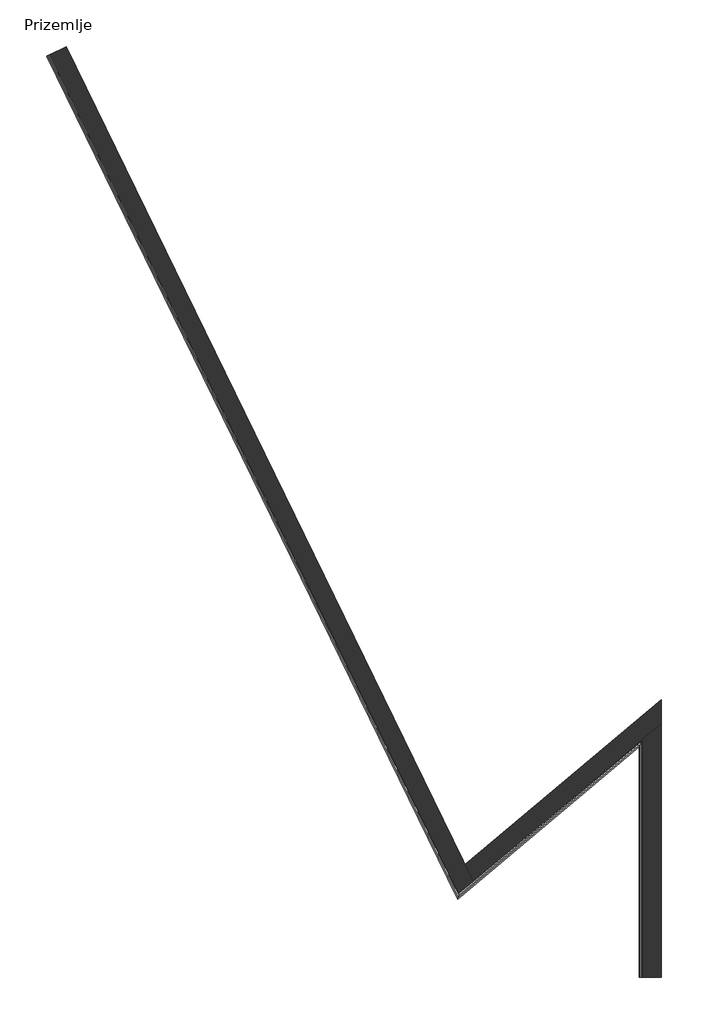
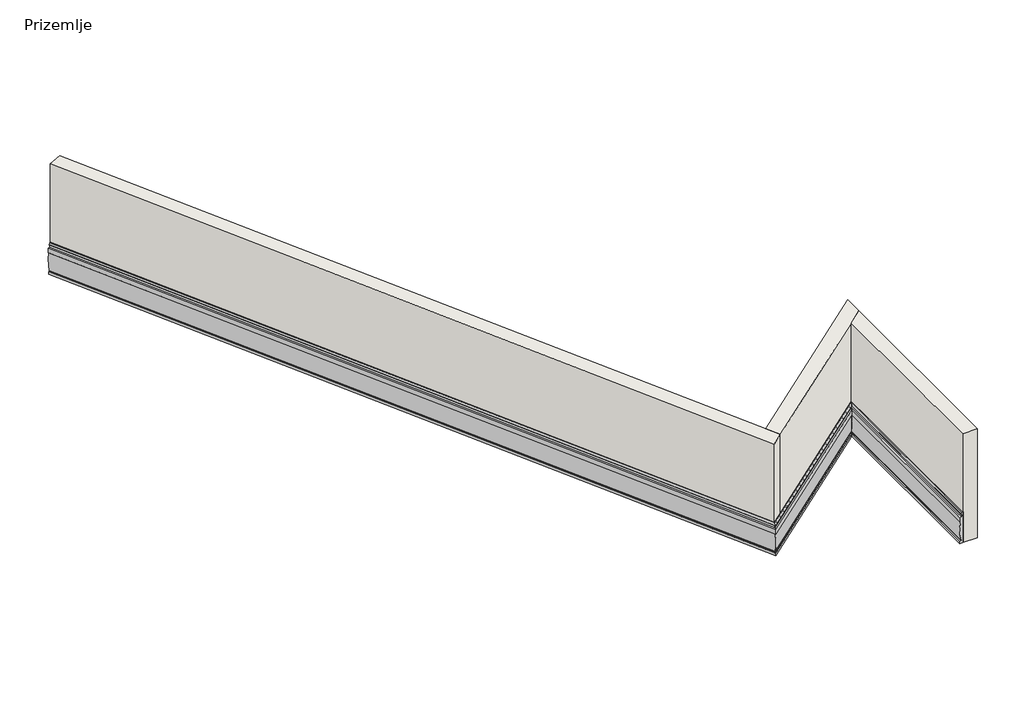
# One storey: 3 proxies, 3 walls.
"""IFC4 building model written with IfcOpenShell, lengths in millimetres."""

from ifc_helpers import new_model, si_unit, frame, origin, place, context, project, spatial, polyline, circle_curve, ellipse_curve, faceted_brep, element, save
from ifc_brep_helpers import plane_surface, cylinder_surface, revolved_surface, advanced_brep

model = new_model("IFC4")

# Units and contexts
model_context = context("Model", 3, world=origin())
ifc_project = project(units=[si_unit("LENGTHUNIT", "METRE", prefix="MILLI")], contexts=[model_context])

# Site, building, storey
site = spatial("IfcSite", under=ifc_project)
building = spatial("IfcBuilding", under=site)
storey = spatial("IfcBuildingStorey", under=building, Name="Prizemlje", Elevation=1200.0)

# Proxies
placement = place(None, origin())
element("IfcBuildingElementProxy", 1, Name="Wall Sweeps", at=placement, inside=storey, context=model_context, shape_type="AdvancedBrep", body=[
    advanced_brep(
    [(-19666.3831279, 34953.1776324, 2400.0), (-19666.3831279, 34953.1776324, 1200.0), (-19772.2292235, 34901.5530422, 1200.0), (-19772.2292235, 34901.5530422, 1291.7401929), (-19736.2774616, 34919.087888, 1291.7401929), (-19736.2774616, 34919.087888, 1311.7401929), (-19727.2895212, 34923.4715995, 1311.7401929), (-19754.2533426, 34910.3204651, 2022.0018652), (-19781.2171639, 34897.1693307, 2052.0018652), (-19781.2171639, 34897.1693307, 2213.7017171), (-19728.2082911, 34923.0234855, 2229.5047643), (-19728.2082911, 34923.0234855, 2309.5047643), (-19747.2745921, 34913.7242291, 2330.7179677), (-19711.3228302, 34931.259075, 2400.0), (-19684.3590088, 34944.4102094, 2400.0), (-7468.0987735, 9942.9883599, 2400.0), (-7484.9840018, 9863.5496066, 2400.0), (-7498.4921844, 9799.998604, 2330.7179677), (-7491.3283887, 9833.7016127, 2309.5047643), (-7491.3283887, 9833.7016127, 2229.5047643), (-7511.2454525, 9739.9991947, 2213.7017171), (-7511.2454525, 9739.9991947, 2052.0018652), (-7501.1143156, 9787.6624466, 2022.0018652), (-7490.9831786, 9835.3256986, 1311.7401929), (-7494.3602243, 9819.4379479, 1311.7401929), (-7494.3602243, 9819.4379479, 1291.7401929), (-7507.8684069, 9755.8869453, 1291.7401929), (-7507.8684069, 9755.8869453, 1200.0), (-7468.0987735, 9942.9883599, 1200.0)],
    [
        (0, 1),
        (1, 2),
        (2, 3),
        (3, 4),
        (4, 5),
        (5, 6),
        (6, 7, circle_curve(frame((-18466.7976085, 35538.2545829, 1726.7401929), z_axis=(-0.4383711467890755, 0.8987940462991679, 0.0), x_axis=(0.8987940462991679, 0.4383711467890755, 0.0)), 1462.5399067)),
        (7, 8),
        (8, 9),
        (9, 10),
        (10, 11, circle_curve(frame((-19764.160053, 34905.4886396, 2269.5047643), z_axis=(0.4383711467890755, -0.8987940462991679, 0.0), x_axis=(0.8987940462991679, 0.4383711467890755, 0.0)), 56.5685425)),
        (11, 12),
        (12, 13),
        (13, 14),
        (14, 0),
        (15, 16),
        (16, 17),
        (17, 18),
        (18, 19, ellipse_curve(frame((-7504.8365713, 9770.15061, 2269.5047643), z_axis=(-0.9781476007338057, 0.20791169081775962, 0.0), x_axis=(-0.20791169081775965, -0.9781476007338055, 0.0)), 91.8825438, 56.5685425)),
        (19, 20),
        (20, 21),
        (21, 22),
        (22, 23, ellipse_curve(frame((-7017.3776012, 12063.4647581, 1726.7401929), z_axis=(0.9781476007338057, -0.20791169081775962, 0.0), x_axis=(0.20791169081775965, 0.9781476007338055, 0.0)), 2375.5585908, 1462.5399067)),
        (23, 24),
        (24, 25),
        (25, 26),
        (26, 27),
        (27, 28),
        (28, 15),
        (0, 15),
        (28, 1),
        (27, 2),
        (26, 3),
        (25, 4),
        (24, 5),
        (23, 6),
        (22, 7),
        (21, 8),
        (20, 9),
        (19, 10),
        (18, 11),
        (17, 12),
        (16, 13),
    ],
    [
        plane_surface(frame((-19666.3831279, 34953.1776324, -1.0412149), z_axis=(-0.43837114678908035, 0.8987940462991656, 0.0), x_axis=(0.8987940462991656, 0.43837114678908035, 0.0))),
        plane_surface(frame((-7468.0987735, 9942.9883599, 895.2), z_axis=(0.9781476007338057, -0.20791169081775962, 0.0), x_axis=(0.20791169081775962, 0.9781476007338057, 0.0))),
        plane_surface(frame((-19666.3831279, 34953.1776324, 2400.0), z_axis=(0.8987940462991679, 0.43837114678907546, 0.0), x_axis=(0.43837114678907546, -0.8987940462991679, 0.0))),
        plane_surface(frame((-19666.3831279, 34953.1776324, 1200.0), z_axis=(0.0, 0.0, -1.0), x_axis=(0.43837114678907546, -0.8987940462991679, 0.0))),
        plane_surface(frame((-19772.2292235, 34901.5530422, 1200.0), z_axis=(-0.898794046299168, -0.43837114678907535, 0.0), x_axis=(0.43837114678907535, -0.898794046299168, 0.0))),
        plane_surface(frame((-19772.2292235, 34901.5530422, 1291.7401929), z_axis=(0.0, 0.0, 1.0), x_axis=(0.4383711467890754, -0.898794046299168, 0.0))),
        plane_surface(frame((-19736.2774616, 34919.087888, 1291.7401929), z_axis=(-0.898794046299168, -0.4383711467890754, 0.0), x_axis=(0.4383711467890754, -0.898794046299168, 0.0))),
        plane_surface(frame((-19736.2774616, 34919.087888, 1311.7401929), z_axis=(0.0, 0.0, 1.0), x_axis=(0.43837114678907546, -0.8987940462991679, 0.0))),
        cylinder_surface(frame((-18466.7976085, 35538.2545829, 1726.7401929), z_axis=(-0.4383711467890755, 0.8987940462991679, 0.0), x_axis=(0.8987940462991679, 0.4383711467890755, 0.0)), 1462.5399067),
        plane_surface(frame((-19754.2533426, 34910.3204651, 2022.0018652), z_axis=(-0.6355433650282388, -0.3099752105710794, -0.7071067811865462), x_axis=(0.4383711467890755, -0.898794046299168, 0.0))),
        plane_surface(frame((-19781.2171639, 34897.1693307, 2052.0018652), z_axis=(-0.8987940462991679, -0.4383711467890755, 0.0), x_axis=(0.4383711467890755, -0.8987940462991679, 0.0))),
        plane_surface(frame((-19781.2171639, 34897.1693307, 2213.7017171), z_axis=(-0.23262501680698125, -0.11345880161244538, 0.9659258262890685), x_axis=(0.4383711467890755, -0.8987940462991679, 0.0))),
        revolved_surface(polyline([(-7422.253087985704, 9729.871953898659, 2269.5047643), (-19713.316583795153, 34930.28665645196, 2269.5047643)]), (-19764.160053, 34905.4886396, 2269.5047643), (0.4383711467890755, -0.8987940462991679, 0.0)),
        plane_surface(frame((-19728.2082911, 34923.0234855, 2309.5047643), z_axis=(-0.635543365028239, -0.30997521057107946, -0.7071067811865459), x_axis=(0.43837114678907546, -0.898794046299168, 0.0))),
        plane_surface(frame((-19747.2745921, 34913.7242291, 2330.7179677), z_axis=(-0.7783784768652859, -0.3796405494054563, 0.5000000000000009), x_axis=(0.43837114678907546, -0.8987940462991679, 0.0))),
        plane_surface(frame((-19711.3228302, 34931.259075, 2400.0), z_axis=(0.0, 0.0, 1.0), x_axis=(0.43837114678907546, -0.8987940462991679, 0.0))),
    ],
    [
        (0, [[1, 2, 3, 4, 5, 6, 7, 8, 9, 10, 11, 12, 13, 14, 15]]),
        (1, [[16, 17, 18, 19, 20, 21, 22, 23, 24, 25, 26, 27, 28, 29]]),
        (2, [[-1, 30, -29, 31]]),
        (3, [[-2, -31, -28, 32]]),
        (4, [[-3, -32, -27, 33]]),
        (5, [[-4, -33, -26, 34]]),
        (6, [[-5, -34, -25, 35]]),
        (7, [[-6, -35, -24, 36]]),
        (8, [[-7, -36, -23, 37]]),
        (9, [[-8, -37, -22, 38]]),
        (10, [[-9, -38, -21, 39]]),
        (11, [[-10, -39, -20, 40]]),
        (12, [[-11, -40, -19, 41]]),
        (13, [[-12, -41, -18, 42]]),
        (14, [[-13, -42, -17, 43]]),
        (15, [[-15, -14, -43, -16, -30]]),
    ],
),
])
element("IfcBuildingElementProxy", 2, Name="Wall Sweeps", at=placement, inside=storey, context=model_context, shape_type="AdvancedBrep", body=[
    advanced_brep(
    [(-7468.0987735, 9942.9883599, 2400.0), (-7468.0987735, 9942.9883599, 1200.0), (-7507.8684069, 9755.8869453, 1200.0), (-7507.8684069, 9755.8869453, 1291.7401929), (-7494.3602243, 9819.4379479, 1291.7401929), (-7494.3602243, 9819.4379479, 1311.7401929), (-7490.9831786, 9835.3256986, 1311.7401929), (-7501.1143156, 9787.6624466, 2022.0018652), (-7511.2454525, 9739.9991947, 2052.0018652), (-7511.2454525, 9739.9991947, 2213.7017171), (-7491.3283887, 9833.7016127, 2229.5047643), (-7491.3283887, 9833.7016127, 2309.5047643), (-7498.4921844, 9799.998604, 2330.7179677), (-7484.9840018, 9863.5496066, 2400.0), (-1968.2552303, 14557.9050485, 2400.0), (-2018.2552303, 14450.6797025, 2400.0), (-2058.2552303, 14364.8994257, 2330.7179677), (-2037.0420269, 14410.3912872, 2309.5047643), (-2037.0420269, 14410.3912872, 2229.5047643), (-2096.0198017, 14283.913041, 2213.7017171), (-2096.0198017, 14283.913041, 2052.0018652), (-2066.0198017, 14348.2482487, 2022.0018652), (-2036.0198017, 14412.5834563, 1311.7401929), (-2046.0198017, 14391.1383871, 1311.7401929), (-2046.0198017, 14391.1383871, 1291.7401929), (-2086.0198017, 14305.3581102, 1291.7401929), (-2086.0198017, 14305.3581102, 1200.0), (-1968.2552303, 14557.9050485, 1200.0), (-7049.6659763, 10294.0951657, 2400.0), (-7049.6659763, 10294.0951657, 1200.0)],
    [
        (0, 1),
        (1, 2),
        (2, 3),
        (3, 4),
        (4, 5),
        (5, 6),
        (6, 7, ellipse_curve(frame((-7017.3776012, 12063.4647581, 1726.7401929), z_axis=(-0.9781476007338057, 0.20791169081775962, 0.0), x_axis=(-0.20791169081775945, -0.9781476007338055, 0.0)), 2375.5585908, 1462.5399067)),
        (7, 8),
        (8, 9),
        (9, 10),
        (10, 11, ellipse_curve(frame((-7504.8365713, 9770.15061, 2269.5047643), z_axis=(0.9781476007338057, -0.20791169081775962, 0.0), x_axis=(0.20791169081775945, 0.9781476007338055, 0.0)), 91.8825438, 56.5685425)),
        (11, 12),
        (12, 13),
        (13, 0),
        (14, 15),
        (15, 16),
        (16, 17),
        (17, 18, ellipse_curve(frame((-2077.0420269, 14324.6110104, 2269.5047643), z_axis=(-0.9063077870366503, 0.42261826174069905, 0.0), x_axis=(0.4226182617406989, 0.9063077870366502, 0.0)), 133.8525748, 56.5685425)),
        (18, 19),
        (19, 20),
        (20, 21),
        (21, 22, ellipse_curve(frame((-633.5940536, 17420.0951784, 1726.7401929), z_axis=(0.9063077870366503, -0.42261826174069905, 0.0), x_axis=(-0.4226182617406989, -0.9063077870366502, 0.0)), 3460.6642427, 1462.5399067)),
        (22, 23),
        (23, 24),
        (24, 25),
        (25, 26),
        (26, 27),
        (27, 14),
        (0, 28),
        (28, 14),
        (27, 29),
        (29, 1),
        (26, 2),
        (25, 3),
        (24, 4),
        (23, 5),
        (22, 6),
        (21, 7),
        (20, 8),
        (19, 9),
        (18, 10),
        (17, 11),
        (16, 12),
        (15, 13),
    ],
    [
        plane_surface(frame((-7468.0987735, 9942.9883599, 895.2), z_axis=(-0.9781476007338057, 0.20791169081775962, 0.0), x_axis=(0.20791169081775962, 0.9781476007338057, 0.0))),
        plane_surface(frame((-1968.2552303, 14557.9050485, 1504.8), z_axis=(0.9063077870366503, -0.42261826174069905, 0.0), x_axis=(-0.42261826174069905, -0.9063077870366503, 0.0))),
        plane_surface(frame((-7468.0987735, 9942.9883599, 2400.0), z_axis=(-0.6427876096865389, 0.7660444431189785, 0.0), x_axis=(0.7660444431189785, 0.6427876096865389, 0.0))),
        plane_surface(frame((-7468.0987735, 9942.9883599, 1200.0), z_axis=(0.0, 0.0, -1.0), x_axis=(0.7660444431189783, 0.6427876096865389, 0.0))),
        plane_surface(frame((-7507.8684069, 9755.8869453, 1200.0), z_axis=(0.6427876096865389, -0.7660444431189785, 0.0), x_axis=(0.7660444431189785, 0.6427876096865389, 0.0))),
        plane_surface(frame((-7507.8684069, 9755.8869453, 1291.7401929), z_axis=(0.0, 0.0, 1.0), x_axis=(0.7660444431189785, 0.6427876096865389, 0.0))),
        plane_surface(frame((-7494.3602243, 9819.4379479, 1291.7401929), z_axis=(0.6427876096865388, -0.7660444431189786, 0.0), x_axis=(0.7660444431189786, 0.6427876096865388, 0.0))),
        plane_surface(frame((-7494.3602243, 9819.4379479, 1311.7401929), z_axis=(0.0, 0.0, 1.0), x_axis=(0.7660444431189783, 0.6427876096865389, 0.0))),
        cylinder_surface(frame((-8326.002441, 10965.3981377, 1726.7401929), z_axis=(-0.7660444431189785, -0.6427876096865388, 0.0), x_axis=(-0.6427876096865388, 0.7660444431189785, 0.0)), 1462.5399067),
        plane_surface(frame((-7501.1143156, 9787.6624466, 2022.0018652), z_axis=(0.45451947767204437, -0.5416752204197033, -0.7071067811865461), x_axis=(0.7660444431189785, 0.6427876096865389, 0.0))),
        plane_surface(frame((-7511.2454525, 9739.9991947, 2052.0018652), z_axis=(0.6427876096865389, -0.7660444431189785, 0.0), x_axis=(0.7660444431189785, 0.6427876096865389, 0.0))),
        plane_surface(frame((-7511.2454525, 9739.9991947, 2213.7017171), z_axis=(0.16636567534280167, -0.1982668912741461, 0.9659258262890685), x_axis=(0.7660444431189785, 0.6427876096865389, 0.0))),
        revolved_surface(polyline([(-2020.4734844271934, 14445.922641278416, 2269.5047643), (-7596.66314281103, 9766.94395555398, 2269.5047643)]), (-7398.1719686, 9859.6528389, 2269.5047643), (0.7660444431189785, 0.6427876096865388, 0.0)),
        plane_surface(frame((-7491.3283887, 9833.7016127, 2309.5047643), z_axis=(0.4545194776720444, -0.5416752204197034, -0.707106781186546), x_axis=(0.7660444431189785, 0.6427876096865389, 0.0))),
        plane_surface(frame((-7498.4921844, 9799.998604, 2330.7179677), z_axis=(0.5566703992264187, -0.6634139481689384, 0.5000000000000009), x_axis=(0.7660444431189785, 0.6427876096865389, 0.0))),
        plane_surface(frame((-7484.9840018, 9863.5496066, 2400.0), z_axis=(0.0, 0.0, 1.0), x_axis=(0.7660444431189785, 0.6427876096865388, 0.0))),
    ],
    [
        (0, [[1, 2, 3, 4, 5, 6, 7, 8, 9, 10, 11, 12, 13, 14]]),
        (1, [[15, 16, 17, 18, 19, 20, 21, 22, 23, 24, 25, 26, 27, 28]]),
        (2, [[-1, 29, 30, -28, 31, 32]]),
        (3, [[-2, -32, -31, -27, 33]]),
        (4, [[-3, -33, -26, 34]]),
        (5, [[-4, -34, -25, 35]]),
        (6, [[-5, -35, -24, 36]]),
        (7, [[-6, -36, -23, 37]]),
        (8, [[-7, -37, -22, 38]]),
        (9, [[-8, -38, -21, 39]]),
        (10, [[-9, -39, -20, 40]]),
        (11, [[-10, -40, -19, 41]]),
        (12, [[-11, -41, -18, 42]]),
        (13, [[-12, -42, -17, 43]]),
        (14, [[-13, -43, -16, 44]]),
        (15, [[-14, -44, -15, -30, -29]]),
    ],
),
])
element("IfcBuildingElementProxy", 3, Name="Wall Sweeps", at=placement, inside=storey, context=model_context, shape_type="AdvancedBrep", body=[
    advanced_brep(
    [(-1968.2552303, 14557.9050485, 2400.0), (-1968.2552303, 14557.9050485, 1200.0), (-2086.0198017, 14305.3581102, 1200.0), (-2086.0198017, 14305.3581102, 1291.7401929), (-2046.0198017, 14391.1383871, 1291.7401929), (-2046.0198017, 14391.1383871, 1311.7401929), (-2036.0198017, 14412.5834563, 1311.7401929), (-2066.0198017, 14348.2482487, 2022.0018652), (-2096.0198017, 14283.913041, 2052.0018652), (-2096.0198017, 14283.913041, 2213.7017171), (-2037.0420269, 14410.3912872, 2229.5047643), (-2037.0420269, 14410.3912872, 2309.5047643), (-2058.2552303, 14364.8994257, 2330.7179677), (-2018.2552303, 14450.6797025, 2400.0), (-1968.2552303, 7404.7543132, 2400.0), (-1988.2552303, 7404.7543132, 2400.0), (-2018.2552303, 7404.7543132, 2400.0), (-2058.2552303, 7404.7543132, 2330.7179677), (-2037.0420269, 7404.7543132, 2309.5047643), (-2037.0420269, 7404.7543132, 2229.5047643), (-2096.0198017, 7404.7543132, 2213.7017171), (-2096.0198017, 7404.7543132, 2052.0018652), (-2066.0198017, 7404.7543132, 2022.0018652), (-2036.0198017, 7404.7543132, 1311.7401929), (-2046.0198017, 7404.7543132, 1311.7401929), (-2046.0198017, 7404.7543132, 1291.7401929), (-2086.0198017, 7404.7543132, 1291.7401929), (-2086.0198017, 7404.7543132, 1200.0), (-1968.2552303, 7404.7543132, 1200.0), (-1968.2552303, 14531.7969027, 2400.0), (-1968.2552303, 14531.7969027, 1200.0)],
    [
        (0, 1),
        (1, 2),
        (2, 3),
        (3, 4),
        (4, 5),
        (5, 6),
        (6, 7, ellipse_curve(frame((-633.5940536, 17420.0951784, 1726.7401929), z_axis=(-0.9063077870366503, 0.42261826174069905, 0.0), x_axis=(0.42261826174069905, 0.90630778703665, 0.0)), 3460.6642427, 1462.5399067)),
        (7, 8),
        (8, 9),
        (9, 10),
        (10, 11, ellipse_curve(frame((-2077.0420269, 14324.6110104, 2269.5047643), z_axis=(0.9063077870366503, -0.42261826174069905, 0.0), x_axis=(-0.42261826174069905, -0.90630778703665, 0.0)), 133.8525748, 56.5685425)),
        (11, 12),
        (12, 13),
        (13, 0),
        (14, 15),
        (15, 16),
        (16, 17),
        (17, 18),
        (18, 19, circle_curve(frame((-2077.0420269, 7404.7543132, 2269.5047643), z_axis=(0.0, 1.0, 0.0), x_axis=(1.0, 0.0, 0.0)), 56.5685425)),
        (19, 20),
        (20, 21),
        (21, 22),
        (22, 23, circle_curve(frame((-633.5940536, 7404.7543132, 1726.7401929), z_axis=(0.0, -1.0, 0.0), x_axis=(1.0, 0.0, 0.0)), 1462.5399067)),
        (23, 24),
        (24, 25),
        (25, 26),
        (26, 27),
        (27, 28),
        (28, 14),
        (13, 16),
        (14, 29),
        (29, 0),
        (12, 17),
        (11, 18),
        (10, 19),
        (9, 20),
        (8, 21),
        (7, 22),
        (6, 23),
        (5, 24),
        (4, 25),
        (3, 26),
        (2, 27),
        (1, 30),
        (30, 28),
    ],
    [
        plane_surface(frame((-1968.2552303, 14557.9050485, 1504.8), z_axis=(-0.9063077870366503, 0.42261826174069905, 0.0), x_axis=(-0.42261826174069905, -0.9063077870366503, 0.0))),
        plane_surface(frame((-3169.2964452, 7404.7543132, 1200.0), z_axis=(0.0, -1.0, 0.0), x_axis=(0.0, 0.0, -1.0))),
        plane_surface(frame((-2018.2552303, 14450.6797025, 2400.0), z_axis=(0.0, 0.0, 1.0), x_axis=(0.0, -1.0, 0.0))),
        plane_surface(frame((-2058.2552303, 14364.8994257, 2330.7179677), z_axis=(-0.8660254037844382, 0.0, 0.5000000000000009), x_axis=(0.0, -1.0, 0.0))),
        plane_surface(frame((-2037.0420269, 14410.3912872, 2309.5047643), z_axis=(-0.7071067811865492, 0.0, -0.7071067811865459), x_axis=(0.0, -1.0, 0.0))),
        revolved_surface(polyline([(-2020.4734844000002, 7404.7543132, 2269.5047643), (-2020.4734844000002, 14445.922641256146, 2269.5047643)]), (-2077.0420269, 14557.9050485, 2269.5047643), (0.0, -1.0, 0.0)),
        plane_surface(frame((-2096.0198017, 14283.913041, 2213.7017171), z_axis=(-0.2588190451025205, 0.0, 0.9659258262890684), x_axis=(0.0, -1.0, 0.0))),
        plane_surface(frame((-2096.0198017, 14283.913041, 2052.0018652), z_axis=(-1.0, 0.0, 0.0), x_axis=(0.0, -1.0, 0.0))),
        plane_surface(frame((-2066.0198017, 14348.2482487, 2022.0018652), z_axis=(-0.7071067811865489, 0.0, -0.7071067811865461), x_axis=(0.0, -1.0, 0.0))),
        cylinder_surface(frame((-633.5940536, 14557.9050485, 1726.7401929), z_axis=(0.0, 1.0, 0.0), x_axis=(1.0, 0.0, 0.0)), 1462.5399067),
        plane_surface(frame((-2046.0198017, 14391.1383871, 1311.7401929), z_axis=(0.0, 0.0, 1.0), x_axis=(0.0, -1.0, 0.0))),
        plane_surface(frame((-2046.0198017, 14391.1383871, 1291.7401929), z_axis=(-1.0, 0.0, 0.0), x_axis=(0.0, -1.0, 0.0))),
        plane_surface(frame((-2086.0198017, 14305.3581102, 1291.7401929), z_axis=(0.0, 0.0, 1.0), x_axis=(0.0, -1.0, 0.0))),
        plane_surface(frame((-2086.0198017, 14305.3581102, 1200.0), z_axis=(-1.0, 0.0, 0.0), x_axis=(0.0, -1.0, 0.0))),
        plane_surface(frame((-1968.2552303, 14557.9050485, 1200.0), z_axis=(0.0, 0.0, -1.0), x_axis=(0.0, -1.0, 0.0))),
        plane_surface(frame((-1968.2552303, 14557.9050485, 2400.0), z_axis=(1.0, 0.0, 0.0), x_axis=(0.0, -1.0, 0.0))),
    ],
    [
        (0, [[1, 2, 3, 4, 5, 6, 7, 8, 9, 10, 11, 12, 13, 14]]),
        (1, [[15, 16, 17, 18, 19, 20, 21, 22, 23, 24, 25, 26, 27, 28, 29]]),
        (2, [[-14, 30, -16, -15, 31, 32]]),
        (3, [[-13, 33, -17, -30]]),
        (4, [[-12, 34, -18, -33]]),
        (5, [[-11, 35, -19, -34]]),
        (6, [[-10, 36, -20, -35]]),
        (7, [[-9, 37, -21, -36]]),
        (8, [[-8, 38, -22, -37]]),
        (9, [[-7, 39, -23, -38]]),
        (10, [[-6, 40, -24, -39]]),
        (11, [[-5, 41, -25, -40]]),
        (12, [[-4, 42, -26, -41]]),
        (13, [[-3, 43, -27, -42]]),
        (14, [[-2, 44, 45, -28, -43]]),
        (15, [[-1, -32, -31, -29, -45, -44]]),
    ],
),
])

# Walls
element("IfcWall", 4, at=placement, inside=storey, context=model_context, shape_type="Brep", body=[
    faceted_brep([(-7474.8528648, 9911.2128586, 5440.0), (-19684.3590088, 34944.4102094, 5440.0), (-19684.3590088, 34944.4102094, 2400.0), (-7474.8528648, 9911.2128586, 2400.0), (-19190.0222833, 35185.5143402, 5440.0), (-7289.115354, 10785.0391445, 5440.0), (-7040.6301507, 10275.5689778, 5440.0), (-7040.6301507, 10275.5689778, 2400.0), (-7049.6659763, 10294.0951657, 2400.0), (-7049.6659763, 10294.0951657, 1200.0), (-7289.115354, 10785.0391445, 1200.0), (-19190.0222833, 35185.5143402, 1200.0), (-7468.0987735, 9942.9883599, 1200.0), (-19666.3831279, 34953.1776324, 1200.0), (-19666.3831279, 34953.1776324, 2400.0), (-7468.0987735, 9942.9883599, 2400.0)], [[[0, 1, 2, 3]], [[4, 5, 6, 7, 8, 9, 10, 11]], [[11, 10, 9, 12, 13]], [[1, 0, 6, 5, 4]], [[4, 11, 13, 14, 2, 1]], [[6, 0, 3, 7]], [[15, 14, 13, 12]], [[14, 15, 8, 7, 3, 2]], [[15, 12, 9, 8]]]),
])
element("IfcWall", 5, at=placement, inside=storey, context=model_context, shape_type="Brep", body=[
    faceted_brep([(-1438.2552303, 14976.5197072, 5440.0), (-1988.2552303, 14515.0149101, 5440.0), (-7040.6301507, 10275.5689778, 5440.0), (-7040.6301507, 10275.5689778, 2400.0), (-1988.2552303, 14515.0149101, 2400.0), (-1968.2552303, 14531.7969027, 2400.0), (-1968.2552303, 14531.7969027, 1200.0), (-1438.2552303, 14976.5197072, 1200.0), (-1438.2552303, 15694.4937164, 1200.0), (-7289.115354, 10785.0391445, 1200.0), (-7289.115354, 10785.0391445, 5440.0), (-1438.2552303, 15694.4937164, 5440.0), (-1968.2552303, 14557.9050485, 1200.0), (-7049.6659763, 10294.0951657, 1200.0), (-7049.6659763, 10294.0951657, 2400.0), (-1968.2552303, 14557.9050485, 2400.0)], [[[0, 1, 2, 3, 4, 5, 6, 7]], [[8, 9, 10, 11]], [[9, 8, 7, 6, 12, 13]], [[2, 1, 0, 11, 10]], [[2, 10, 9, 13, 14, 3]], [[0, 7, 8, 11]], [[14, 15, 5, 4, 3]], [[12, 15, 14, 13]], [[15, 12, 6, 5]]]),
])
element("IfcWall", 6, at=placement, inside=storey, context=model_context, shape_type="Brep", body=[
    faceted_brep([(-1988.2552303, 7404.7543132, 5440.0), (-1988.2552303, 14515.0149101, 5440.0), (-1988.2552303, 14515.0149101, 2400.0), (-1988.2552303, 7404.7543132, 2400.0), (-1438.2552303, 7404.7543132, 1200.0), (-1438.2552303, 14976.5197072, 1200.0), (-1438.2552303, 14976.5197072, 5440.0), (-1438.2552303, 7404.7543132, 5440.0), (-1968.2552303, 7404.7543132, 1200.0), (-1968.2552303, 14531.7969027, 1200.0), (-1968.2552303, 7404.7543132, 2400.0), (-1968.2552303, 14531.7969027, 2400.0)], [[[0, 1, 2, 3]], [[4, 5, 6, 7]], [[5, 4, 8, 9]], [[4, 7, 0, 3, 10, 8]], [[1, 0, 7, 6]], [[1, 6, 5, 9, 11, 2]], [[10, 11, 9, 8]], [[11, 10, 3, 2]]]),
])

save(model, "model.ifc")
